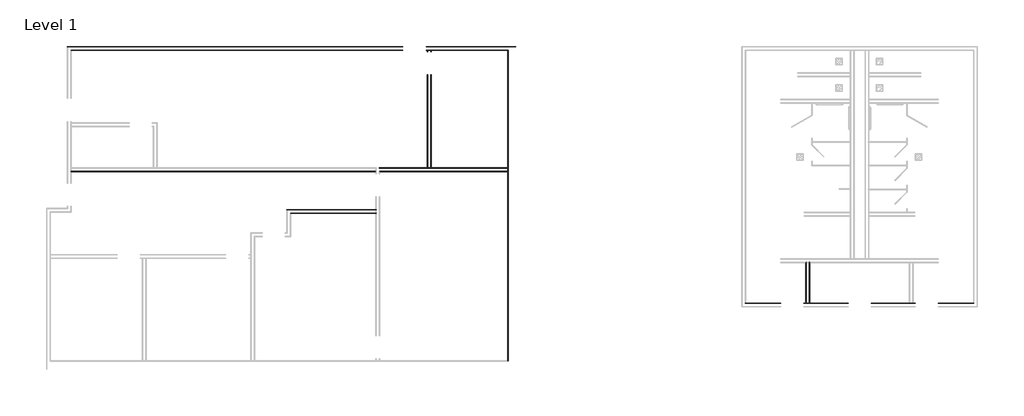
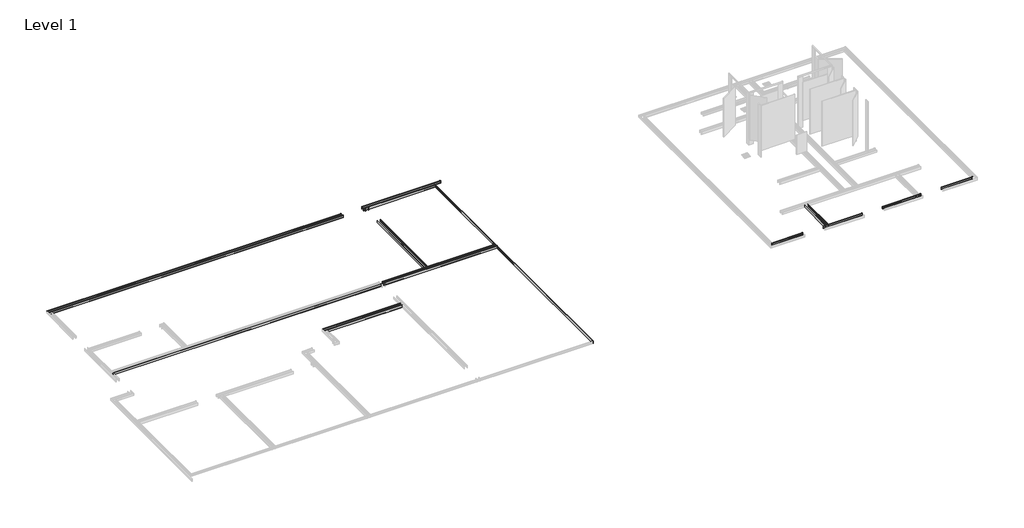
# One storey, part 48 of 51: 13 proxies.
"""IFC4 building model written with IfcOpenShell, lengths in millimetres."""

from ifc_helpers import new_model, si_unit, point, frame, frame_2d, origin, place, context, project, spatial, polyline, circle_curve, ellipse_curve, trimmed, segment, composite_curve, outline, extrude, element, save
from ifc_brep_helpers import plane_surface, cylinder_surface, advanced_brep

model = new_model("IFC4")

# Units and contexts
model_context = context("Model", 3, world=origin())
ifc_project = project(units=[si_unit("LENGTHUNIT", "METRE", prefix="MILLI")], contexts=[model_context])

# Site, building, storey
site = spatial("IfcSite", under=ifc_project)
building = spatial("IfcBuilding", under=site)
storey = spatial("IfcBuildingStorey", under=building, Name="Level 1", Elevation=0.0)

# Proxies
placement = place(None, origin())
element("IfcBuildingElementProxy", 1, Name="Wall Sweeps", at=placement, inside=storey, context=model_context, shape_type="SweptSolid", body=[
    extrude(outline(composite_curve([segment(polyline([(-19137.9301669, 22.1801656), (-19134.5404634, 23.915644), (-19134.5404634, 85.828144), (-19137.9301669, 87.5505545), (-19137.9301669, 107.95), (-19126.8176669, 107.95)]), True, "CONTINUOUS"), segment(trimmed(circle_curve(frame_2d((-19126.8176669, 104.775)), 3.175), [point((-19126.8176669, 107.95))], [point((-19123.6426669, 104.775))], False, "CARTESIAN"), True, "CONTINUOUS"), segment(polyline([(-19123.6426669, 104.775), (-19123.6426669, 0.0), (-19137.9301669, 0.0), (-19137.9301669, 22.1801656)]), True, "CONTINUOUS")], self_intersect=False)), frame((168708.865984, 0.0, 0.0), z_axis=(1.0, 0.0, 0.0), x_axis=(0.0, 1.0, 0.0)), (0.0, 0.0, 1.0), 1389.0625),
    extrude(outline(composite_curve([segment(polyline([(-19137.9301669, 22.1801656), (-19134.5404634, 23.915644), (-19134.5404634, 85.828144), (-19137.9301669, 87.5505545), (-19137.9301669, 107.95), (-19126.8176669, 107.95)]), True, "CONTINUOUS"), segment(trimmed(circle_curve(frame_2d((-19126.8176669, 104.775)), 3.175), [point((-19126.8176669, 107.95))], [point((-19123.6426669, 104.775))], False, "CARTESIAN"), True, "CONTINUOUS"), segment(polyline([(-19123.6426669, 104.775), (-19123.6426669, 0.0), (-19137.9301669, 0.0), (-19137.9301669, 22.1801656)]), True, "CONTINUOUS")], self_intersect=False)), frame((171012.328484, 0.0, 0.0), z_axis=(1.0, 0.0, 0.0), x_axis=(0.0, 1.0, 0.0)), (0.0, 0.0, 1.0), 1749.425),
    extrude(outline(composite_curve([segment(polyline([(-19137.9301669, 22.1801656), (-19134.5404634, 23.915644), (-19134.5404634, 85.828144), (-19137.9301669, 87.5505545), (-19137.9301669, 107.95), (-19126.8176669, 107.95)]), True, "CONTINUOUS"), segment(trimmed(circle_curve(frame_2d((-19126.8176669, 104.775)), 3.175), [point((-19126.8176669, 107.95))], [point((-19123.6426669, 104.775))], False, "CARTESIAN"), True, "CONTINUOUS"), segment(polyline([(-19123.6426669, 104.775), (-19123.6426669, 0.0), (-19137.9301669, 0.0), (-19137.9301669, 22.1801656)]), True, "CONTINUOUS")], self_intersect=False)), frame((173676.153484, 0.0, 0.0), z_axis=(1.0, 0.0, 0.0), x_axis=(0.0, 1.0, 0.0)), (0.0, 0.0, 1.0), 1727.2),
    extrude(outline(composite_curve([segment(polyline([(-19137.9301669, 22.1801656), (-19134.5404634, 23.915644), (-19134.5404634, 85.828144), (-19137.9301669, 87.5505545), (-19137.9301669, 107.95), (-19126.8176669, 107.95)]), True, "CONTINUOUS"), segment(trimmed(circle_curve(frame_2d((-19126.8176669, 104.775)), 3.175), [point((-19126.8176669, 107.95))], [point((-19123.6426669, 104.775))], False, "CARTESIAN"), True, "CONTINUOUS"), segment(polyline([(-19123.6426669, 104.775), (-19123.6426669, 0.0), (-19137.9301669, 0.0), (-19137.9301669, 22.1801656)]), True, "CONTINUOUS")], self_intersect=False)), frame((176317.753484, 0.0, 0.0), z_axis=(1.0, 0.0, 0.0), x_axis=(0.0, 1.0, 0.0)), (0.0, 0.0, 1.0), 1411.2875),
])
element("IfcBuildingElementProxy", 2, Name="Wall Sweeps", at=placement, inside=storey, context=model_context, shape_type="SweptSolid", body=[
    extrude(outline(composite_curve([segment(polyline([(22.1801656, 171237.753484), (0.0, 171237.753484), (0.0, 171252.040984), (104.775, 171252.040984)]), True, "CONTINUOUS"), segment(trimmed(circle_curve(frame_2d((104.775, 171248.865984)), 3.175), [point((104.775, 171252.040984))], [point((107.95, 171248.865984))], False, "CARTESIAN"), True, "CONTINUOUS"), segment(polyline([(107.95, 171248.865984), (107.95, 171237.753484), (87.5505545, 171237.753484), (85.828144, 171241.1431875), (23.915644, 171241.1431875), (22.1801656, 171237.753484)]), True, "CONTINUOUS")], self_intersect=False)), frame((0.0, -19137.9301669, 0.0), z_axis=(0.0, 1.0, 0.0), x_axis=(0.0, 0.0, 1.0)), (0.0, 0.0, 1.0), 1617.4725109),
])
element("IfcBuildingElementProxy", 3, Name="Wall Sweeps", at=placement, inside=storey, context=model_context, shape_type="SweptSolid", body=[
    extrude(outline(composite_curve([segment(polyline([(22.1801656, 171113.928484), (23.915644, 171110.5387805), (85.828144, 171110.5387805), (87.5505545, 171113.928484), (107.95, 171113.928484), (107.95, 171102.815984)]), True, "CONTINUOUS"), segment(trimmed(circle_curve(frame_2d((104.775, 171102.815984)), 3.175), [point((107.95, 171102.815984))], [point((104.775, 171099.640984))], False, "CARTESIAN"), True, "CONTINUOUS"), segment(polyline([(104.775, 171099.640984), (0.0, 171099.640984), (0.0, 171113.928484), (22.1801656, 171113.928484)]), True, "CONTINUOUS")], self_intersect=False)), frame((0.0, -19137.9301669, 0.0), z_axis=(0.0, 1.0, 0.0), x_axis=(0.0, 0.0, 1.0)), (0.0, 0.0, 1.0), 1617.4725109),
])
element("IfcBuildingElementProxy", 4, Name="Wall Sweeps", at=placement, inside=storey, context=model_context, shape_type="SweptSolid", body=[
    extrude(outline(composite_curve([segment(polyline([(22.1801656, 156178.728484), (23.915644, 156175.3387805), (85.828144, 156175.3387805), (87.5505545, 156178.728484), (107.95, 156178.728484), (107.95, 156167.615984)]), True, "CONTINUOUS"), segment(trimmed(circle_curve(frame_2d((104.775, 156167.615984)), 3.175), [point((107.95, 156167.615984))], [point((104.775, 156164.440984))], False, "CARTESIAN"), True, "CONTINUOUS"), segment(polyline([(104.775, 156164.440984), (0.0, 156164.440984), (0.0, 156178.728484), (22.1801656, 156178.728484)]), True, "CONTINUOUS")], self_intersect=False)), frame((0.0, -9206.5301669, 0.0), z_axis=(0.0, 1.0, 0.0), x_axis=(0.0, 0.0, 1.0)), (0.0, 0.0, 1.0), 65.0875),
    extrude(outline(composite_curve([segment(polyline([(22.1801656, 156178.728484), (23.915644, 156175.3387805), (85.828144, 156175.3387805), (87.5505545, 156178.728484), (107.95, 156178.728484), (107.95, 156167.615984)]), True, "CONTINUOUS"), segment(trimmed(circle_curve(frame_2d((104.775, 156167.615984)), 3.175), [point((107.95, 156167.615984))], [point((104.775, 156164.440984))], False, "CARTESIAN"), True, "CONTINUOUS"), segment(polyline([(104.775, 156164.440984), (0.0, 156164.440984), (0.0, 156178.728484), (22.1801656, 156178.728484)]), True, "CONTINUOUS")], self_intersect=False)), frame((0.0, -13803.9301669, 0.0), z_axis=(0.0, 1.0, 0.0), x_axis=(0.0, 0.0, 1.0)), (0.0, 0.0, 1.0), 3683.0),
])
element("IfcBuildingElementProxy", 5, Name="Wall Sweeps", at=placement, inside=storey, context=model_context, shape_type="SweptSolid", body=[
    extrude(outline(composite_curve([segment(polyline([(22.1801656, 156302.553484), (0.0, 156302.553484), (0.0, 156316.840984), (104.775, 156316.840984)]), True, "CONTINUOUS"), segment(trimmed(circle_curve(frame_2d((104.775, 156313.665984)), 3.175), [point((104.775, 156316.840984))], [point((107.95, 156313.665984))], False, "CARTESIAN"), True, "CONTINUOUS"), segment(polyline([(107.95, 156313.665984), (107.95, 156302.553484), (87.5505545, 156302.553484), (85.828144, 156305.9431875), (23.915644, 156305.9431875), (22.1801656, 156302.553484)]), True, "CONTINUOUS")], self_intersect=False)), frame((0.0, -13803.9301669, 0.0), z_axis=(0.0, 1.0, 0.0), x_axis=(0.0, 0.0, 1.0)), (0.0, 0.0, 1.0), 3683.0),
    extrude(outline(composite_curve([segment(polyline([(22.1801656, 156302.553484), (0.0, 156302.553484), (0.0, 156316.840984), (104.775, 156316.840984)]), True, "CONTINUOUS"), segment(trimmed(circle_curve(frame_2d((104.775, 156313.665984)), 3.175), [point((104.775, 156316.840984))], [point((107.95, 156313.665984))], False, "CARTESIAN"), True, "CONTINUOUS"), segment(polyline([(107.95, 156313.665984), (107.95, 156302.553484), (87.5505545, 156302.553484), (85.828144, 156305.9431875), (23.915644, 156305.9431875), (22.1801656, 156302.553484)]), True, "CONTINUOUS")], self_intersect=False)), frame((0.0, -9206.5301669, 0.0), z_axis=(0.0, 1.0, 0.0), x_axis=(0.0, 0.0, 1.0)), (0.0, 0.0, 1.0), 65.0875),
])
element("IfcBuildingElementProxy", 6, Name="Wall Sweeps", at=placement, inside=storey, context=model_context, shape_type="AdvancedBrep", body=[
    advanced_brep(
    [(142089.9478499, -13927.7551669, 22.1801656), (142089.9478499, -13927.7551669, 0.0), (142089.9478499, -13942.0426669, 0.0), (142089.9478499, -13942.0426669, 104.775), (142089.9478499, -13938.8676669, 107.95), (142089.9478499, -13927.7551669, 107.95), (142089.9478499, -13927.7551669, 87.5505545), (142089.9478499, -13931.1448704, 85.828144), (142089.9478499, -13931.1448704, 23.915644), (154143.553484, -13927.7551669, 22.1801656), (154143.553484, -13931.1448704, 23.915644), (154143.553484, -13931.1448704, 85.828144), (154143.553484, -13927.7551669, 87.5505545), (154143.553484, -13927.7551669, 107.95), (154143.553484, -13938.8676669, 107.95), (154143.553484, -13942.0426669, 104.775), (154143.553484, -13942.0426669, 0.0), (154143.553484, -13927.7551669, 0.0), (154129.265984, -13927.7551669, 0.0)],
    [
        (0, 1),
        (1, 2),
        (2, 3),
        (3, 4, circle_curve(frame((142089.9478499, -13938.8676669, 104.775), z_axis=(-1.0, 0.0, 0.0), x_axis=(0.0, -1.0, 0.0)), 3.175)),
        (4, 5),
        (5, 6),
        (6, 7),
        (7, 8),
        (8, 0),
        (9, 10),
        (10, 11),
        (11, 12),
        (12, 13),
        (13, 14),
        (14, 15, circle_curve(frame((154143.553484, -13938.8676669, 104.775), z_axis=(1.0, 0.0, 0.0), x_axis=(0.0, -1.0, 0.0)), 3.175)),
        (15, 16),
        (16, 17),
        (17, 9),
        (0, 9),
        (17, 18),
        (18, 1),
        (16, 2),
        (15, 3),
        (14, 4),
        (13, 5),
        (12, 6),
        (11, 7),
        (10, 8),
    ],
    [
        plane_surface(frame((142089.9478499, -13927.7551669, -108.5204596), z_axis=(-1.0, 0.0, 0.0), x_axis=(0.0, 1.0, 0.0))),
        plane_surface(frame((154143.553484, -13927.7551669, -108.5204596), z_axis=(1.0, 0.0, 0.0), x_axis=(0.0, 1.0, 0.0))),
        plane_surface(frame((142089.9478499, -13927.7551669, 22.1801656), z_axis=(0.0, 1.0, 0.0), x_axis=(1.0, 0.0, 0.0))),
        plane_surface(frame((142089.9478499, -13927.7551669, 0.0), z_axis=(0.0, 0.0, -1.0), x_axis=(1.0, 0.0, 0.0))),
        plane_surface(frame((142089.9478499, -13942.0426669, 0.0), z_axis=(0.0, -1.0, 0.0), x_axis=(1.0, 0.0, 0.0))),
        cylinder_surface(frame((142089.9478499, -13938.8676669, 104.775), z_axis=(-1.0, 0.0, 0.0), x_axis=(0.0, -1.0, 0.0)), 3.175),
        plane_surface(frame((142089.9478499, -13938.8676669, 107.95), z_axis=(0.0, 0.0, 1.0), x_axis=(1.0, 0.0, 0.0))),
        plane_surface(frame((142089.9478499, -13927.7551669, 107.95), z_axis=(0.0, 1.0, 0.0), x_axis=(1.0, 0.0, 0.0))),
        plane_surface(frame((142089.9478499, -13927.7551669, 87.5505545), z_axis=(0.0, 0.4530026868357818, -0.8915091506650745), x_axis=(1.0, 0.0, 0.0))),
        plane_surface(frame((142089.9478499, -13931.1448704, 85.828144), z_axis=(0.0, 1.0, 0.0), x_axis=(1.0, 0.0, 0.0))),
        plane_surface(frame((142089.9478499, -13931.1448704, 23.915644), z_axis=(0.0, 0.4557279043188856, 0.8901191365346083), x_axis=(1.0, 0.0, 0.0))),
    ],
    [
        (0, [[1, 2, 3, 4, 5, 6, 7, 8, 9]]),
        (1, [[10, 11, 12, 13, 14, 15, 16, 17, 18]]),
        (2, [[-1, 19, -18, 20, 21]]),
        (3, [[-2, -21, -20, -17, 22]]),
        (4, [[-3, -22, -16, 23]]),
        (5, [[-4, -23, -15, 24]]),
        (6, [[-5, -24, -14, 25]]),
        (7, [[-6, -25, -13, 26]]),
        (8, [[-7, -26, -12, 27]]),
        (9, [[-8, -27, -11, 28]]),
        (10, [[-9, -28, -10, -19]]),
    ],
),
])
element("IfcBuildingElementProxy", 7, Name="Wall Sweeps", at=placement, inside=storey, context=model_context, shape_type="AdvancedBrep", body=[
    advanced_brep(
    [(150638.353484, -15451.7551669, 22.1801656), (150634.9637805, -15448.3654634, 23.915644), (150634.9637805, -15448.3654634, 85.828144), (150638.353484, -15451.7551669, 87.5505545), (150638.353484, -15451.7551669, 107.95), (150627.240984, -15440.6426669, 107.95), (150624.065984, -15437.4676669, 104.775), (150624.065984, -15437.4676669, 0.0), (150638.353484, -15451.7551669, 0.0), (154143.553484, -15451.7551669, 22.1801656), (154143.553484, -15451.7551669, 0.0), (154143.553484, -15437.4676669, 0.0), (154143.553484, -15437.4676669, 104.775), (154143.553484, -15440.6426669, 107.95), (154143.553484, -15451.7551669, 107.95), (154143.553484, -15451.7551669, 87.5505545), (154143.553484, -15448.3654634, 85.828144), (154143.553484, -15448.3654634, 23.915644)],
    [
        (0, 1),
        (1, 2),
        (2, 3),
        (3, 4),
        (4, 5),
        (5, 6, ellipse_curve(frame((150627.240984, -15440.6426669, 104.775), z_axis=(-0.707106781186544, -0.7071067811865511, 0.0), x_axis=(-0.7071067811865509, 0.707106781186544, 0.0)), 4.4901281, 3.175)),
        (6, 7),
        (7, 8),
        (8, 0),
        (9, 10),
        (10, 11),
        (11, 12),
        (12, 13, circle_curve(frame((154143.553484, -15440.6426669, 104.775), z_axis=(1.0, 0.0, 0.0), x_axis=(0.0, 1.0, 0.0)), 3.175)),
        (13, 14),
        (14, 15),
        (15, 16),
        (16, 17),
        (17, 9),
        (0, 9),
        (17, 1),
        (16, 2),
        (15, 3),
        (14, 4),
        (13, 5),
        (12, 6),
        (11, 7),
        (10, 8),
    ],
    [
        plane_surface(frame((150638.353484, -15451.7551669, 304.8), z_axis=(-0.707106781186544, -0.7071067811865511, 0.0), x_axis=(0.7071067811865511, -0.707106781186544, 0.0))),
        plane_surface(frame((154143.553484, -15451.7551669, -108.5204596), z_axis=(1.0, 0.0, 0.0), x_axis=(0.0, 1.0, 0.0))),
        plane_surface(frame((150638.353484, -15451.7551669, 22.1801656), z_axis=(0.0, -0.4557279043188856, 0.8901191365346083), x_axis=(1.0, 0.0, 0.0))),
        plane_surface(frame((150634.9637805, -15448.3654634, 23.915644), z_axis=(0.0, -1.0, 0.0), x_axis=(1.0, 0.0, 0.0))),
        plane_surface(frame((150634.9637805, -15448.3654634, 85.828144), z_axis=(0.0, -0.4530026868357818, -0.8915091506650745), x_axis=(1.0, 0.0, 0.0))),
        plane_surface(frame((150638.353484, -15451.7551669, 87.5505545), z_axis=(0.0, -1.0, 0.0), x_axis=(1.0, 0.0, 0.0))),
        plane_surface(frame((150638.353484, -15451.7551669, 107.95), z_axis=(0.0, 0.0, 1.0), x_axis=(1.0, 0.0, 0.0))),
        cylinder_surface(frame((150638.353484, -15440.6426669, 104.775), z_axis=(-1.0, 0.0, 0.0), x_axis=(0.0, 1.0, 0.0)), 3.175),
        plane_surface(frame((150624.065984, -15437.4676669, 104.775), z_axis=(0.0, 1.0, 0.0), x_axis=(1.0, 0.0, 0.0))),
        plane_surface(frame((150624.065984, -15437.4676669, 0.0), z_axis=(0.0, 0.0, -1.0), x_axis=(1.0, 0.0, 0.0))),
        plane_surface(frame((150638.353484, -15451.7551669, 0.0), z_axis=(0.0, -1.0, 0.0), x_axis=(1.0, 0.0, 0.0))),
    ],
    [
        (0, [[1, 2, 3, 4, 5, 6, 7, 8, 9]]),
        (1, [[10, 11, 12, 13, 14, 15, 16, 17, 18]]),
        (2, [[-1, 19, -18, 20]]),
        (3, [[-2, -20, -17, 21]]),
        (4, [[-3, -21, -16, 22]]),
        (5, [[-4, -22, -15, 23]]),
        (6, [[-5, -23, -14, 24]]),
        (7, [[-6, -24, -13, 25]]),
        (8, [[-7, -25, -12, 26]]),
        (9, [[-8, -26, -11, 27]]),
        (10, [[-9, -27, -10, -19]]),
    ],
),
])
element("IfcBuildingElementProxy", 8, Name="Wall Sweeps", at=placement, inside=storey, context=model_context, shape_type="AdvancedBrep", body=[
    advanced_brep(
    [(150762.178484, -15575.5801669, 22.1801656), (150762.178484, -15575.5801669, 0.0), (150776.465984, -15589.8676669, 0.0), (150776.465984, -15589.8676669, 104.775), (150773.290984, -15586.6926669, 107.95), (150762.178484, -15575.5801669, 107.95), (150762.178484, -15575.5801669, 87.5505545), (150765.5681875, -15578.9698704, 85.828144), (150765.5681875, -15578.9698704, 23.915644), (154143.553484, -15575.5801669, 22.1801656), (154143.553484, -15578.9698704, 23.915644), (154143.553484, -15578.9698704, 85.828144), (154143.553484, -15575.5801669, 87.5505545), (154143.553484, -15575.5801669, 107.95), (154143.553484, -15586.6926669, 107.95), (154143.553484, -15589.8676669, 104.775), (154143.553484, -15589.8676669, 0.0), (154143.553484, -15575.5801669, 0.0)],
    [
        (0, 1),
        (1, 2),
        (2, 3),
        (3, 4, ellipse_curve(frame((150773.290984, -15586.6926669, 104.775), z_axis=(-0.707106781186544, -0.7071067811865511, 0.0), x_axis=(-0.7071067811865509, 0.707106781186544, 0.0)), 4.4901281, 3.175)),
        (4, 5),
        (5, 6),
        (6, 7),
        (7, 8),
        (8, 0),
        (9, 10),
        (10, 11),
        (11, 12),
        (12, 13),
        (13, 14),
        (14, 15, circle_curve(frame((154143.553484, -15586.6926669, 104.775), z_axis=(1.0, 0.0, 0.0), x_axis=(0.0, -1.0, 0.0)), 3.175)),
        (15, 16),
        (16, 17),
        (17, 9),
        (0, 9),
        (17, 1),
        (16, 2),
        (15, 3),
        (14, 4),
        (13, 5),
        (12, 6),
        (11, 7),
        (10, 8),
    ],
    [
        plane_surface(frame((150762.178484, -15575.5801669, 304.8), z_axis=(-0.707106781186544, -0.7071067811865511, 0.0), x_axis=(0.7071067811865511, -0.707106781186544, 0.0))),
        plane_surface(frame((154143.553484, -15575.5801669, -108.5204596), z_axis=(1.0, 0.0, 0.0), x_axis=(0.0, 1.0, 0.0))),
        plane_surface(frame((150762.178484, -15575.5801669, 22.1801656), z_axis=(0.0, 1.0, 0.0), x_axis=(1.0, 0.0, 0.0))),
        plane_surface(frame((150762.178484, -15575.5801669, 0.0), z_axis=(0.0, 0.0, -1.0), x_axis=(1.0, 0.0, 0.0))),
        plane_surface(frame((150776.465984, -15589.8676669, 0.0), z_axis=(0.0, -1.0, 0.0), x_axis=(1.0, 0.0, 0.0))),
        cylinder_surface(frame((150762.178484, -15586.6926669, 104.775), z_axis=(-1.0, 0.0, 0.0), x_axis=(0.0, -1.0, 0.0)), 3.175),
        plane_surface(frame((150773.290984, -15586.6926669, 107.95), z_axis=(0.0, 0.0, 1.0), x_axis=(1.0, 0.0, 0.0))),
        plane_surface(frame((150762.178484, -15575.5801669, 107.95), z_axis=(0.0, 1.0, 0.0), x_axis=(1.0, 0.0, 0.0))),
        plane_surface(frame((150762.178484, -15575.5801669, 87.5505545), z_axis=(0.0, 0.4530026868357818, -0.8915091506650745), x_axis=(1.0, 0.0, 0.0))),
        plane_surface(frame((150765.5681875, -15578.9698704, 85.828144), z_axis=(0.0, 1.0, 0.0), x_axis=(1.0, 0.0, 0.0))),
        plane_surface(frame((150765.5681875, -15578.9698704, 23.915644), z_axis=(0.0, 0.4557279043188856, 0.8901191365346083), x_axis=(1.0, 0.0, 0.0))),
    ],
    [
        (0, [[1, 2, 3, 4, 5, 6, 7, 8, 9]]),
        (1, [[10, 11, 12, 13, 14, 15, 16, 17, 18]]),
        (2, [[-1, 19, -18, 20]]),
        (3, [[-2, -20, -17, 21]]),
        (4, [[-3, -21, -16, 22]]),
        (5, [[-4, -22, -15, 23]]),
        (6, [[-5, -23, -14, 24]]),
        (7, [[-6, -24, -13, 25]]),
        (8, [[-7, -25, -12, 26]]),
        (9, [[-8, -26, -11, 27]]),
        (10, [[-9, -27, -10, -19]]),
    ],
),
])
element("IfcBuildingElementProxy", 9, Name="Wall Sweeps", at=placement, inside=storey, context=model_context, shape_type="AdvancedBrep", body=[
    advanced_brep(
    [(159350.553484, -9141.4426669, 22.1801656), (159350.553484, -9141.4426669, 0.0), (159336.265984, -9155.7301669, 0.0), (159336.265984, -9155.7301669, 104.775), (159339.440984, -9152.5551669, 107.95), (159350.553484, -9141.4426669, 107.95), (159350.553484, -9141.4426669, 87.5505545), (159347.1637805, -9144.8323704, 85.828144), (159347.1637805, -9144.8323704, 23.915644), (159350.553484, -21423.9301669, 22.1801656), (159347.1637805, -21420.5404634, 23.915644), (159347.1637805, -21420.5404634, 85.828144), (159350.553484, -21423.9301669, 87.5505545), (159350.553484, -21423.9301669, 107.95), (159339.440984, -21412.8176669, 107.95), (159336.265984, -21409.6426669, 104.775), (159336.265984, -21409.6426669, 0.0), (159350.553484, -21423.9301669, 0.0)],
    [
        (0, 1),
        (1, 2),
        (2, 3),
        (3, 4, ellipse_curve(frame((159339.440984, -9152.5551669, 104.775), z_axis=(-0.7071067811865422, 0.7071067811865529, 0.0), x_axis=(0.7071067811865529, 0.7071067811865421, 0.0)), 4.4901281, 3.175)),
        (4, 5),
        (5, 6),
        (6, 7),
        (7, 8),
        (8, 0),
        (9, 10),
        (10, 11),
        (11, 12),
        (12, 13),
        (13, 14),
        (14, 15, ellipse_curve(frame((159339.440984, -21412.8176669, 104.775), z_axis=(-0.7071067811865476, -0.7071067811865476, 0.0), x_axis=(-0.7071067811865477, 0.7071067811865472, 0.0)), 4.4901281, 3.175)),
        (15, 16),
        (16, 17),
        (17, 9),
        (0, 9),
        (17, 1),
        (16, 2),
        (15, 3),
        (14, 4),
        (13, 5),
        (12, 6),
        (11, 7),
        (10, 8),
    ],
    [
        plane_surface(frame((159350.553484, -9141.4426669, 304.8), z_axis=(-0.7071067811865422, 0.7071067811865529, 0.0), x_axis=(-0.7071067811865529, -0.7071067811865422, 0.0))),
        plane_surface(frame((159350.553484, -21423.9301669, 304.8), z_axis=(-0.7071067811865476, -0.7071067811865476, 0.0), x_axis=(-0.7071067811865476, 0.7071067811865476, 0.0))),
        plane_surface(frame((159350.553484, -9141.4426669, 22.1801656), z_axis=(1.0, 0.0, 0.0), x_axis=(0.0, -1.0, 0.0))),
        plane_surface(frame((159350.553484, -9141.4426669, 0.0), z_axis=(0.0, 0.0, -1.0), x_axis=(0.0, -1.0, 0.0))),
        plane_surface(frame((159336.265984, -9155.7301669, 0.0), z_axis=(-1.0, 0.0, 0.0), x_axis=(0.0, -1.0, 0.0))),
        cylinder_surface(frame((159339.440984, -9141.4426669, 104.775), z_axis=(0.0, 1.0, 0.0), x_axis=(-1.0, 0.0, 0.0)), 3.175),
        plane_surface(frame((159339.440984, -9152.5551669, 107.95), z_axis=(0.0, 0.0, 1.0), x_axis=(0.0, -1.0, 0.0))),
        plane_surface(frame((159350.553484, -9141.4426669, 107.95), z_axis=(1.0, 0.0, 0.0), x_axis=(0.0, -1.0, 0.0))),
        plane_surface(frame((159350.553484, -9141.4426669, 87.5505545), z_axis=(0.4530026868357818, 0.0, -0.8915091506650745), x_axis=(0.0, -1.0, 0.0))),
        plane_surface(frame((159347.1637805, -9144.8323704, 85.828144), z_axis=(1.0, 0.0, 0.0), x_axis=(0.0, -1.0, 0.0))),
        plane_surface(frame((159347.1637805, -9144.8323704, 23.915644), z_axis=(0.4557279043188856, 0.0, 0.8901191365346083), x_axis=(0.0, -1.0, 0.0))),
    ],
    [
        (0, [[1, 2, 3, 4, 5, 6, 7, 8, 9]]),
        (1, [[10, 11, 12, 13, 14, 15, 16, 17, 18]]),
        (2, [[-1, 19, -18, 20]]),
        (3, [[-2, -20, -17, 21]]),
        (4, [[-3, -21, -16, 22]]),
        (5, [[-4, -22, -15, 23]]),
        (6, [[-5, -23, -14, 24]]),
        (7, [[-6, -24, -13, 25]]),
        (8, [[-7, -25, -12, 26]]),
        (9, [[-8, -26, -11, 27]]),
        (10, [[-9, -27, -10, -19]]),
    ],
),
])
element("IfcBuildingElementProxy", 10, Name="Wall Sweeps", at=placement, inside=storey, context=model_context, shape_type="AdvancedBrep", body=[
    advanced_brep(
    [(156113.640984, -9141.4426669, 22.1801656), (156113.640984, -9141.4426669, 0.0), (156113.640984, -9155.7301669, 0.0), (156113.640984, -9155.7301669, 104.775), (156113.640984, -9152.5551669, 107.95), (156113.640984, -9141.4426669, 107.95), (156113.640984, -9141.4426669, 87.5505545), (156113.640984, -9144.8323704, 85.828144), (156113.640984, -9144.8323704, 23.915644), (159350.553484, -9141.4426669, 22.1801656), (159347.1637805, -9144.8323704, 23.915644), (159347.1637805, -9144.8323704, 85.828144), (159350.553484, -9141.4426669, 87.5505545), (159350.553484, -9141.4426669, 107.95), (159339.440984, -9152.5551669, 107.95), (159336.265984, -9155.7301669, 104.775), (159336.265984, -9155.7301669, 0.0), (159350.553484, -9141.4426669, 0.0)],
    [
        (0, 1),
        (1, 2),
        (2, 3),
        (3, 4, circle_curve(frame((156113.640984, -9152.5551669, 104.775), z_axis=(-1.0, 0.0, 0.0), x_axis=(0.0, -1.0, 0.0)), 3.175)),
        (4, 5),
        (5, 6),
        (6, 7),
        (7, 8),
        (8, 0),
        (9, 10),
        (10, 11),
        (11, 12),
        (12, 13),
        (13, 14),
        (14, 15, ellipse_curve(frame((159339.440984, -9152.5551669, 104.775), z_axis=(0.7071067811865422, -0.7071067811865529, 0.0), x_axis=(-0.7071067811865528, -0.7071067811865422, 0.0)), 4.4901281, 3.175)),
        (15, 16),
        (16, 17),
        (17, 9),
        (0, 9),
        (17, 1),
        (16, 2),
        (15, 3),
        (14, 4),
        (13, 5),
        (12, 6),
        (11, 7),
        (10, 8),
    ],
    [
        plane_surface(frame((156113.640984, -9141.4426669, -108.5204596), z_axis=(-1.0, 0.0, 0.0), x_axis=(0.0, 1.0, 0.0))),
        plane_surface(frame((159350.553484, -9141.4426669, 304.8), z_axis=(0.7071067811865422, -0.7071067811865529, 0.0), x_axis=(-0.7071067811865529, -0.7071067811865422, 0.0))),
        plane_surface(frame((156113.640984, -9141.4426669, 22.1801656), z_axis=(0.0, 1.0, 0.0), x_axis=(1.0, 0.0, 0.0))),
        plane_surface(frame((156113.640984, -9141.4426669, 0.0), z_axis=(0.0, 0.0, -1.0), x_axis=(1.0, 0.0, 0.0))),
        plane_surface(frame((156113.640984, -9155.7301669, 0.0), z_axis=(0.0, -1.0, 0.0), x_axis=(1.0, 0.0, 0.0))),
        cylinder_surface(frame((156113.640984, -9152.5551669, 104.775), z_axis=(-1.0, 0.0, 0.0), x_axis=(0.0, -1.0, 0.0)), 3.175),
        plane_surface(frame((156113.640984, -9152.5551669, 107.95), z_axis=(0.0, 0.0, 1.0), x_axis=(1.0, 0.0, 0.0))),
        plane_surface(frame((156113.640984, -9141.4426669, 107.95), z_axis=(0.0, 1.0, 0.0), x_axis=(1.0, 0.0, 0.0))),
        plane_surface(frame((156113.640984, -9141.4426669, 87.5505545), z_axis=(0.0, 0.4530026868357818, -0.8915091506650745), x_axis=(1.0, 0.0, 0.0))),
        plane_surface(frame((156113.640984, -9144.8323704, 85.828144), z_axis=(0.0, 1.0, 0.0), x_axis=(1.0, 0.0, 0.0))),
        plane_surface(frame((156113.640984, -9144.8323704, 23.915644), z_axis=(0.0, 0.4557279043188856, 0.8901191365346083), x_axis=(1.0, 0.0, 0.0))),
    ],
    [
        (0, [[1, 2, 3, 4, 5, 6, 7, 8, 9]]),
        (1, [[10, 11, 12, 13, 14, 15, 16, 17, 18]]),
        (2, [[-1, 19, -18, 20]]),
        (3, [[-2, -20, -17, 21]]),
        (4, [[-3, -21, -16, 22]]),
        (5, [[-4, -22, -15, 23]]),
        (6, [[-5, -23, -14, 24]]),
        (7, [[-6, -24, -13, 25]]),
        (8, [[-7, -25, -12, 26]]),
        (9, [[-8, -26, -11, 27]]),
        (10, [[-9, -27, -10, -19]]),
    ],
),
    advanced_brep(
    [(142089.9478499, -9141.4426669, 22.1801656), (142089.9478499, -9141.4426669, 0.0), (142104.2353499, -9155.7301669, 0.0), (142104.2353499, -9155.7301669, 104.775), (142101.0603499, -9152.5551669, 107.95), (142089.9478499, -9141.4426669, 107.95), (142089.9478499, -9141.4426669, 87.5505545), (142093.3375534, -9144.8323704, 85.828144), (142093.3375534, -9144.8323704, 23.915644), (155199.240984, -9141.4426669, 22.1801656), (155199.240984, -9144.8323704, 23.915644), (155199.240984, -9144.8323704, 85.828144), (155199.240984, -9141.4426669, 87.5505545), (155199.240984, -9141.4426669, 107.95), (155199.240984, -9152.5551669, 107.95), (155199.240984, -9155.7301669, 104.775), (155199.240984, -9155.7301669, 0.0), (155199.240984, -9141.4426669, 0.0)],
    [
        (0, 1),
        (1, 2),
        (2, 3),
        (3, 4, ellipse_curve(frame((142101.0603499, -9152.5551669, 104.775), z_axis=(-0.7071067811865458, -0.7071067811865493, 0.0), x_axis=(-0.7071067811865492, 0.7071067811865458, 0.0)), 4.4901281, 3.175)),
        (4, 5),
        (5, 6),
        (6, 7),
        (7, 8),
        (8, 0),
        (9, 10),
        (10, 11),
        (11, 12),
        (12, 13),
        (13, 14),
        (14, 15, circle_curve(frame((155199.240984, -9152.5551669, 104.775), z_axis=(1.0, 0.0, 0.0), x_axis=(0.0, -1.0, 0.0)), 3.175)),
        (15, 16),
        (16, 17),
        (17, 9),
        (0, 9),
        (17, 1),
        (16, 2),
        (15, 3),
        (14, 4),
        (13, 5),
        (12, 6),
        (11, 7),
        (10, 8),
    ],
    [
        plane_surface(frame((142089.9478499, -9141.4426669, 304.8), z_axis=(-0.7071067811865458, -0.7071067811865493, 0.0), x_axis=(0.7071067811865493, -0.7071067811865458, 0.0))),
        plane_surface(frame((155199.240984, -9141.4426669, -108.5204596), z_axis=(1.0, 0.0, 0.0), x_axis=(0.0, 1.0, 0.0))),
        plane_surface(frame((142089.9478499, -9141.4426669, 22.1801656), z_axis=(0.0, 1.0, 0.0), x_axis=(1.0, 0.0, 0.0))),
        plane_surface(frame((142089.9478499, -9141.4426669, 0.0), z_axis=(0.0, 0.0, -1.0), x_axis=(1.0, 0.0, 0.0))),
        plane_surface(frame((142104.2353499, -9155.7301669, 0.0), z_axis=(0.0, -1.0, 0.0), x_axis=(1.0, 0.0, 0.0))),
        cylinder_surface(frame((142089.9478499, -9152.5551669, 104.775), z_axis=(-1.0, 0.0, 0.0), x_axis=(0.0, -1.0, 0.0)), 3.175),
        plane_surface(frame((142101.0603499, -9152.5551669, 107.95), z_axis=(0.0, 0.0, 1.0), x_axis=(1.0, 0.0, 0.0))),
        plane_surface(frame((142089.9478499, -9141.4426669, 107.95), z_axis=(0.0, 1.0, 0.0), x_axis=(1.0, 0.0, 0.0))),
        plane_surface(frame((142089.9478499, -9141.4426669, 87.5505545), z_axis=(0.0, 0.4530026868357818, -0.8915091506650745), x_axis=(1.0, 0.0, 0.0))),
        plane_surface(frame((142093.3375534, -9144.8323704, 85.828144), z_axis=(0.0, 1.0, 0.0), x_axis=(1.0, 0.0, 0.0))),
        plane_surface(frame((142093.3375534, -9144.8323704, 23.915644), z_axis=(0.0, 0.4557279043188856, 0.8901191365346083), x_axis=(1.0, 0.0, 0.0))),
    ],
    [
        (0, [[1, 2, 3, 4, 5, 6, 7, 8, 9]]),
        (1, [[10, 11, 12, 13, 14, 15, 16, 17, 18]]),
        (2, [[-1, 19, -18, 20]]),
        (3, [[-2, -20, -17, 21]]),
        (4, [[-3, -21, -16, 22]]),
        (5, [[-4, -22, -15, 23]]),
        (6, [[-5, -23, -14, 24]]),
        (7, [[-6, -24, -13, 25]]),
        (8, [[-7, -25, -12, 26]]),
        (9, [[-8, -26, -11, 27]]),
        (10, [[-9, -27, -10, -19]]),
    ],
),
])
element("IfcBuildingElementProxy", 11, Name="Wall Sweeps", at=placement, inside=storey, context=model_context, shape_type="AdvancedBrep", body=[
    advanced_brep(
    [(141966.1228499, -9017.6176669, 22.1801656), (141962.7331464, -9014.2279634, 23.915644), (141962.7331464, -9014.2279634, 85.828144), (141966.1228499, -9017.6176669, 87.5505545), (141966.1228499, -9017.6176669, 107.95), (141955.0103499, -9006.5051669, 107.95), (141951.8353499, -9003.3301669, 104.775), (141951.8353499, -9003.3301669, 0.0), (141966.1228499, -9017.6176669, 0.0), (155199.240984, -9017.6176669, 22.1801656), (155199.240984, -9017.6176669, 0.0), (155199.240984, -9003.3301669, 0.0), (155199.240984, -9003.3301669, 104.775), (155199.240984, -9006.5051669, 107.95), (155199.240984, -9017.6176669, 107.95), (155199.240984, -9017.6176669, 87.5505545), (155199.240984, -9014.2279634, 85.828144), (155199.240984, -9014.2279634, 23.915644)],
    [
        (0, 1),
        (1, 2),
        (2, 3),
        (3, 4),
        (4, 5),
        (5, 6, ellipse_curve(frame((141955.0103499, -9006.5051669, 104.775), z_axis=(-0.7071067811865458, -0.7071067811865493, 0.0), x_axis=(-0.7071067811865492, 0.7071067811865458, 0.0)), 4.4901281, 3.175)),
        (6, 7),
        (7, 8),
        (8, 0),
        (9, 10),
        (10, 11),
        (11, 12),
        (12, 13, circle_curve(frame((155199.240984, -9006.5051669, 104.775), z_axis=(1.0, 0.0, 0.0), x_axis=(0.0, 1.0, 0.0)), 3.175)),
        (13, 14),
        (14, 15),
        (15, 16),
        (16, 17),
        (17, 9),
        (0, 9),
        (17, 1),
        (16, 2),
        (15, 3),
        (14, 4),
        (13, 5),
        (12, 6),
        (11, 7),
        (10, 8),
    ],
    [
        plane_surface(frame((141966.1228499, -9017.6176669, 304.8), z_axis=(-0.7071067811865458, -0.7071067811865493, 0.0), x_axis=(0.7071067811865493, -0.7071067811865458, 0.0))),
        plane_surface(frame((155199.240984, -9017.6176669, -108.5204596), z_axis=(1.0, 0.0, 0.0), x_axis=(0.0, 1.0, 0.0))),
        plane_surface(frame((141966.1228499, -9017.6176669, 22.1801656), z_axis=(0.0, -0.4557279043188856, 0.8901191365346083), x_axis=(1.0, 0.0, 0.0))),
        plane_surface(frame((141962.7331464, -9014.2279634, 23.915644), z_axis=(0.0, -1.0, 0.0), x_axis=(1.0, 0.0, 0.0))),
        plane_surface(frame((141962.7331464, -9014.2279634, 85.828144), z_axis=(0.0, -0.4530026868357818, -0.8915091506650745), x_axis=(1.0, 0.0, 0.0))),
        plane_surface(frame((141966.1228499, -9017.6176669, 87.5505545), z_axis=(0.0, -1.0, 0.0), x_axis=(1.0, 0.0, 0.0))),
        plane_surface(frame((141966.1228499, -9017.6176669, 107.95), z_axis=(0.0, 0.0, 1.0), x_axis=(1.0, 0.0, 0.0))),
        cylinder_surface(frame((141966.1228499, -9006.5051669, 104.775), z_axis=(-1.0, 0.0, 0.0), x_axis=(0.0, 1.0, 0.0)), 3.175),
        plane_surface(frame((141951.8353499, -9003.3301669, 104.775), z_axis=(0.0, 1.0, 0.0), x_axis=(1.0, 0.0, 0.0))),
        plane_surface(frame((141951.8353499, -9003.3301669, 0.0), z_axis=(0.0, 0.0, -1.0), x_axis=(1.0, 0.0, 0.0))),
        plane_surface(frame((141966.1228499, -9017.6176669, 0.0), z_axis=(0.0, -1.0, 0.0), x_axis=(1.0, 0.0, 0.0))),
    ],
    [
        (0, [[1, 2, 3, 4, 5, 6, 7, 8, 9]]),
        (1, [[10, 11, 12, 13, 14, 15, 16, 17, 18]]),
        (2, [[-1, 19, -18, 20]]),
        (3, [[-2, -20, -17, 21]]),
        (4, [[-3, -21, -16, 22]]),
        (5, [[-4, -22, -15, 23]]),
        (6, [[-5, -23, -14, 24]]),
        (7, [[-6, -24, -13, 25]]),
        (8, [[-7, -25, -12, 26]]),
        (9, [[-8, -26, -11, 27]]),
        (10, [[-9, -27, -10, -19]]),
    ],
),
    advanced_brep(
    [(156113.640984, -9017.6176669, 22.1801656), (156113.640984, -9014.2279634, 23.915644), (156113.640984, -9014.2279634, 85.828144), (156113.640984, -9017.6176669, 87.5505545), (156113.640984, -9017.6176669, 107.95), (156113.640984, -9006.5051669, 107.95), (156113.640984, -9003.3301669, 104.775), (156113.640984, -9003.3301669, 0.0), (156113.640984, -9017.6176669, 0.0), (159655.353484, -9017.6176669, 22.1801656), (159655.353484, -9017.6176669, 0.0), (159655.353484, -9003.3301669, 0.0), (159655.353484, -9003.3301669, 104.775), (159655.353484, -9006.5051669, 107.95), (159655.353484, -9017.6176669, 107.95), (159655.353484, -9017.6176669, 87.5505545), (159655.353484, -9014.2279634, 85.828144), (159655.353484, -9014.2279634, 23.915644)],
    [
        (0, 1),
        (1, 2),
        (2, 3),
        (3, 4),
        (4, 5),
        (5, 6, circle_curve(frame((156113.640984, -9006.5051669, 104.775), z_axis=(-1.0, 0.0, 0.0), x_axis=(0.0, 1.0, 0.0)), 3.175)),
        (6, 7),
        (7, 8),
        (8, 0),
        (9, 10),
        (10, 11),
        (11, 12),
        (12, 13, circle_curve(frame((159655.353484, -9006.5051669, 104.775), z_axis=(1.0, 0.0, 0.0), x_axis=(0.0, 1.0, 0.0)), 3.175)),
        (13, 14),
        (14, 15),
        (15, 16),
        (16, 17),
        (17, 9),
        (0, 9),
        (17, 1),
        (16, 2),
        (15, 3),
        (14, 4),
        (13, 5),
        (12, 6),
        (11, 7),
        (10, 8),
    ],
    [
        plane_surface(frame((156113.640984, -9017.6176669, -108.5204596), z_axis=(-1.0, 0.0, 0.0), x_axis=(0.0, 1.0, 0.0))),
        plane_surface(frame((159655.353484, -9017.6176669, -108.5204596), z_axis=(1.0, 0.0, 0.0), x_axis=(0.0, 1.0, 0.0))),
        plane_surface(frame((156113.640984, -9017.6176669, 22.1801656), z_axis=(0.0, -0.4557279043188856, 0.8901191365346083), x_axis=(1.0, 0.0, 0.0))),
        plane_surface(frame((156113.640984, -9014.2279634, 23.915644), z_axis=(0.0, -1.0, 0.0), x_axis=(1.0, 0.0, 0.0))),
        plane_surface(frame((156113.640984, -9014.2279634, 85.828144), z_axis=(0.0, -0.4530026868357818, -0.8915091506650745), x_axis=(1.0, 0.0, 0.0))),
        plane_surface(frame((156113.640984, -9017.6176669, 87.5505545), z_axis=(0.0, -1.0, 0.0), x_axis=(1.0, 0.0, 0.0))),
        plane_surface(frame((156113.640984, -9017.6176669, 107.95), z_axis=(0.0, 0.0, 1.0), x_axis=(1.0, 0.0, 0.0))),
        cylinder_surface(frame((156113.640984, -9006.5051669, 104.775), z_axis=(-1.0, 0.0, 0.0), x_axis=(0.0, 1.0, 0.0)), 3.175),
        plane_surface(frame((156113.640984, -9003.3301669, 104.775), z_axis=(0.0, 1.0, 0.0), x_axis=(1.0, 0.0, 0.0))),
        plane_surface(frame((156113.640984, -9003.3301669, 0.0), z_axis=(0.0, 0.0, -1.0), x_axis=(1.0, 0.0, 0.0))),
        plane_surface(frame((156113.640984, -9017.6176669, 0.0), z_axis=(0.0, -1.0, 0.0), x_axis=(1.0, 0.0, 0.0))),
    ],
    [
        (0, [[1, 2, 3, 4, 5, 6, 7, 8, 9]]),
        (1, [[10, 11, 12, 13, 14, 15, 16, 17, 18]]),
        (2, [[-1, 19, -18, 20]]),
        (3, [[-2, -20, -17, 21]]),
        (4, [[-3, -21, -16, 22]]),
        (5, [[-4, -22, -15, 23]]),
        (6, [[-5, -23, -14, 24]]),
        (7, [[-6, -24, -13, 25]]),
        (8, [[-7, -25, -12, 26]]),
        (9, [[-8, -26, -11, 27]]),
        (10, [[-9, -27, -10, -19]]),
    ],
),
])
element("IfcBuildingElementProxy", 12, Name="Wall Sweeps", at=placement, inside=storey, context=model_context, shape_type="SweptSolid", body=[
    extrude(outline(composite_curve([segment(polyline([(-13803.9301669, 22.1801656), (-13800.5404634, 23.915644), (-13800.5404634, 85.828144), (-13803.9301669, 87.5505545), (-13803.9301669, 107.95), (-13792.8176669, 107.95)]), True, "CONTINUOUS"), segment(trimmed(circle_curve(frame_2d((-13792.8176669, 104.775)), 3.175), [point((-13792.8176669, 107.95))], [point((-13789.6426669, 104.775))], False, "CARTESIAN"), True, "CONTINUOUS"), segment(polyline([(-13789.6426669, 104.775), (-13789.6426669, 0.0), (-13803.9301669, 0.0), (-13803.9301669, 22.1801656)]), True, "CONTINUOUS")], self_intersect=False)), frame((154267.378484, 0.0, 0.0), z_axis=(1.0, 0.0, 0.0), x_axis=(0.0, 1.0, 0.0)), (0.0, 0.0, 1.0), 5083.175),
])
element("IfcBuildingElementProxy", 13, Name="Wall Sweeps", at=placement, inside=storey, context=model_context, shape_type="AdvancedBrep", body=[
    advanced_brep(
    [(154267.378484, -13927.7551669, 22.1801656), (154267.378484, -13927.7551669, 0.0), (154281.665984, -13942.0426669, 0.0), (154281.665984, -13942.0426669, 104.775), (154278.490984, -13938.8676669, 107.95), (154267.378484, -13927.7551669, 107.95), (154267.378484, -13927.7551669, 87.5505545), (154270.7681875, -13931.1448704, 85.828144), (154270.7681875, -13931.1448704, 23.915644), (159350.553484, -13927.7551669, 22.1801656), (159350.553484, -13931.1448704, 23.915644), (159350.553484, -13931.1448704, 85.828144), (159350.553484, -13927.7551669, 87.5505545), (159350.553484, -13927.7551669, 107.95), (159350.553484, -13938.8676669, 107.95), (159350.553484, -13942.0426669, 104.775), (159350.553484, -13942.0426669, 0.0), (159350.553484, -13927.7551669, 0.0)],
    [
        (0, 1),
        (1, 2),
        (2, 3),
        (3, 4, ellipse_curve(frame((154278.490984, -13938.8676669, 104.775), z_axis=(-0.707106781186544, -0.7071067811865511, 0.0), x_axis=(-0.707106781186551, 0.7071067811865441, 0.0)), 4.4901281, 3.175)),
        (4, 5),
        (5, 6),
        (6, 7),
        (7, 8),
        (8, 0),
        (9, 10),
        (10, 11),
        (11, 12),
        (12, 13),
        (13, 14),
        (14, 15, circle_curve(frame((159350.553484, -13938.8676669, 104.775), z_axis=(1.0, 0.0, 0.0), x_axis=(0.0, -1.0, 0.0)), 3.175)),
        (15, 16),
        (16, 17),
        (17, 9),
        (0, 9),
        (17, 1),
        (16, 2),
        (15, 3),
        (14, 4),
        (13, 5),
        (12, 6),
        (11, 7),
        (10, 8),
    ],
    [
        plane_surface(frame((154267.378484, -13927.7551669, 304.8), z_axis=(-0.707106781186544, -0.7071067811865511, 0.0), x_axis=(0.7071067811865511, -0.707106781186544, 0.0))),
        plane_surface(frame((159350.553484, -13927.7551669, -108.5204596), z_axis=(1.0, 0.0, 0.0), x_axis=(0.0, 1.0, 0.0))),
        plane_surface(frame((154267.378484, -13927.7551669, 22.1801656), z_axis=(0.0, 1.0, 0.0), x_axis=(1.0, 0.0, 0.0))),
        plane_surface(frame((154267.378484, -13927.7551669, 0.0), z_axis=(0.0, 0.0, -1.0), x_axis=(1.0, 0.0, 0.0))),
        plane_surface(frame((154281.665984, -13942.0426669, 0.0), z_axis=(0.0, -1.0, 0.0), x_axis=(1.0, 0.0, 0.0))),
        cylinder_surface(frame((154267.378484, -13938.8676669, 104.775), z_axis=(-1.0, 0.0, 0.0), x_axis=(0.0, -1.0, 0.0)), 3.175),
        plane_surface(frame((154278.490984, -13938.8676669, 107.95), z_axis=(0.0, 0.0, 1.0), x_axis=(1.0, 0.0, 0.0))),
        plane_surface(frame((154267.378484, -13927.7551669, 107.95), z_axis=(0.0, 1.0, 0.0), x_axis=(1.0, 0.0, 0.0))),
        plane_surface(frame((154267.378484, -13927.7551669, 87.5505545), z_axis=(0.0, 0.4530026868357818, -0.8915091506650745), x_axis=(1.0, 0.0, 0.0))),
        plane_surface(frame((154270.7681875, -13931.1448704, 85.828144), z_axis=(0.0, 1.0, 0.0), x_axis=(1.0, 0.0, 0.0))),
        plane_surface(frame((154270.7681875, -13931.1448704, 23.915644), z_axis=(0.0, 0.4557279043188856, 0.8901191365346083), x_axis=(1.0, 0.0, 0.0))),
    ],
    [
        (0, [[1, 2, 3, 4, 5, 6, 7, 8, 9]]),
        (1, [[10, 11, 12, 13, 14, 15, 16, 17, 18]]),
        (2, [[-1, 19, -18, 20]]),
        (3, [[-2, -20, -17, 21]]),
        (4, [[-3, -21, -16, 22]]),
        (5, [[-4, -22, -15, 23]]),
        (6, [[-5, -23, -14, 24]]),
        (7, [[-6, -24, -13, 25]]),
        (8, [[-7, -25, -12, 26]]),
        (9, [[-8, -26, -11, 27]]),
        (10, [[-9, -27, -10, -19]]),
    ],
),
])

save(model, "model.ifc")
